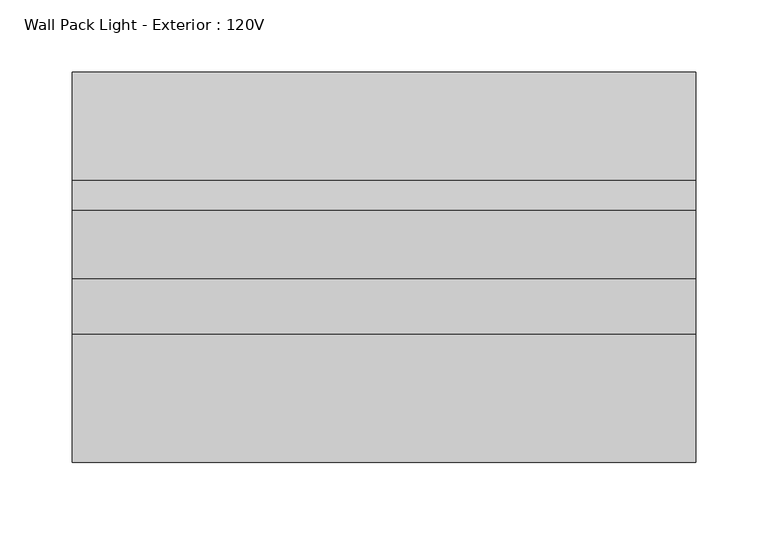
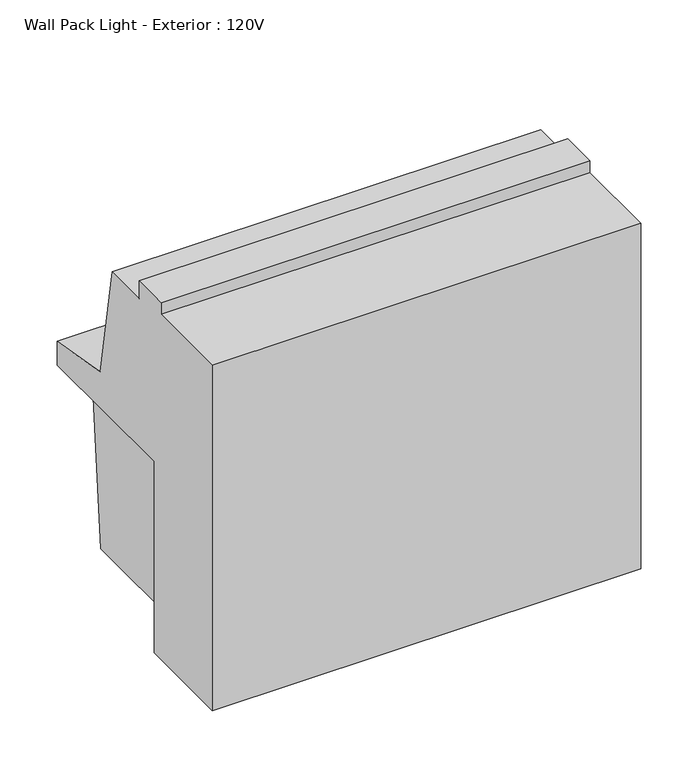
"""IFC4 building model written with IfcOpenShell, lengths in millimetres: light fixture geometry, Wall Pack Light - Exterior : 120V."""

from ifc_helpers import new_model, si_unit, frame, origin, place, context, project, spatial, polyline, outline, extrude, source, transform, mapped, element, save


def wall_pack_light_exterior_120v_466100a0(model_context):
    return source(origin(), model_context, "Body", "SweptSolid", [
        extrude(outline(polyline([(343.595745, 2393.95), (206.375, 2393.95), (206.375, 2578.1), (358.6920754, 2578.1), (343.595745, 2393.95)])), frame((-68.7349223, 0.0, 0.0), z_axis=(1.0, 0.0, 0.0), x_axis=(0.0, 1.0, 0.0)), (0.0, 0.0, 1.0), 380.9989788),
        extrude(outline(polyline([(193.675, 2755.9), (231.775, 2755.9), (231.775, 2736.85), (279.215971, 2736.85), (300.2176549, 2617.7435323), (375.2600056, 2604.5115412), (375.2600056, 2579.1115412), (206.375, 2579.1115412), (206.375, 2374.9), (104.775, 2374.9), (104.775, 2743.2), (193.675, 2743.2), (193.675, 2755.9)])), frame((-94.1359435, 0.0, 0.0), z_axis=(1.0, 0.0, 0.0), x_axis=(0.0, 1.0, 0.0)), (0.0, 0.0, 1.0), 431.8),
    ])


if __name__ == "__main__":
    model = new_model("IFC4")
    model_context = context("Model", 3, world=origin())
    ifc_project = project(units=[si_unit("LENGTHUNIT", "METRE", prefix="MILLI")], contexts=[model_context])
    site = spatial("IfcSite", under=ifc_project)
    building = spatial("IfcBuilding", under=site)
    placement = place(None, origin())
    wall_pack_light_exterior_120v_shape = wall_pack_light_exterior_120v_466100a0(model_context)
    element("IfcLightFixture", 1, ObjectType="Wall Pack Light - Exterior : 120V", at=placement, inside=building, context=model_context, shape_type="MappedRepresentation", body=[
        mapped(wall_pack_light_exterior_120v_shape, transform((0.0, 0.0, 0.0), x_axis=(1.0, 0.0, 0.0), y_axis=(0.0, 1.0, 0.0), z_axis=(0.0, 0.0, 1.0))),
    ])
    save(model, "model.ifc")
